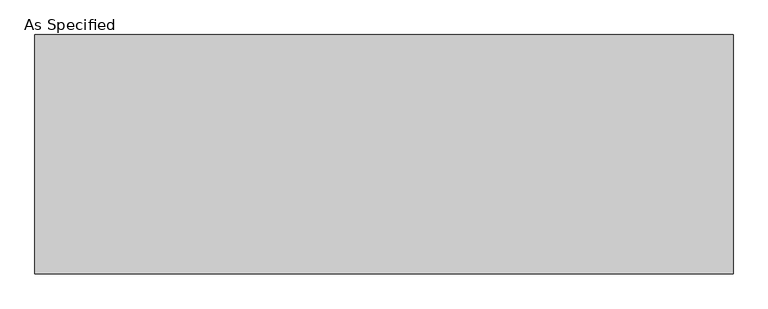
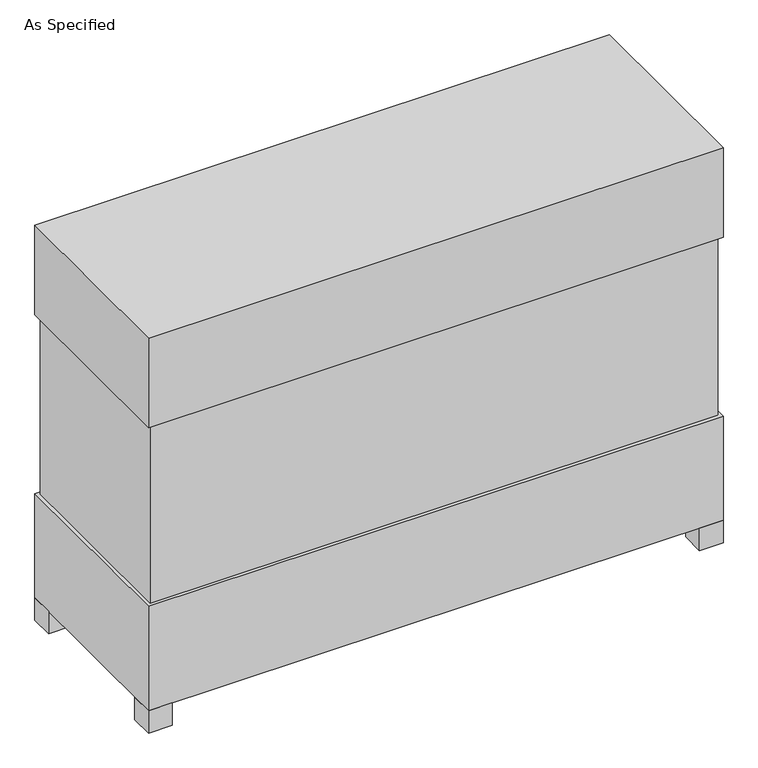
"""IFC4 building model written with IfcOpenShell, lengths in millimetres: proxy geometry, As Specified."""

from ifc_helpers import new_model, si_unit, frame, origin, origin_with_axes, place, context, project, spatial, polyline, outline, extrude, source, transform, mapped, element, save


def as_specified_e8d2b745(model_context):
    return source(origin(), model_context, "Body", "SweptSolid", [
        extrude(outline(polyline([(915.9875, 306.3875), (915.9875, -306.3875), (-915.9875, -306.3875), (-915.9875, 306.3875), (915.9875, 306.3875)])), frame((0.0, 0.0, 431.8), z_axis=(0.0, 0.0, 1.0), x_axis=(1.0, 0.0, 0.0)), (0.0, 0.0, 1.0), 609.6),
        extrude(outline(polyline([(927.1, 317.5), (927.1, -317.5), (-927.1, -317.5), (-927.1, 317.5), (927.1, 317.5)])), frame((0.0, 0.0, 1041.4), z_axis=(0.0, 0.0, 1.0), x_axis=(1.0, 0.0, 0.0)), (0.0, 0.0, 1.0), 304.8),
        extrude(outline(polyline([(812.8, 228.6), (812.8, 152.4), (736.6, 152.4), (736.6, 228.6), (812.8, 228.6)])), frame((0.0, 0.0, 50.8), z_axis=(0.0, 0.0, 1.0), x_axis=(1.0, 0.0, 0.0)), (0.0, 0.0, 1.0), 25.4),
        extrude(outline(polyline([(812.8, -228.6), (736.6, -228.6), (736.6, -152.4), (812.8, -152.4), (812.8, -228.6)])), frame((0.0, 0.0, 50.8), z_axis=(0.0, 0.0, 1.0), x_axis=(1.0, 0.0, 0.0)), (0.0, 0.0, 1.0), 25.4),
        extrude(outline(polyline([(-850.9, 317.5), (-850.9, 241.3), (-927.1, 241.3), (-927.1, 317.5), (-850.9, 317.5)])), origin_with_axes(), (0.0, 0.0, 1.0), 76.2),
        extrude(outline(polyline([(927.1, 317.5), (927.1, 241.3), (850.9, 241.3), (850.9, 317.5), (927.1, 317.5)])), origin_with_axes(), (0.0, 0.0, 1.0), 76.2),
        extrude(outline(polyline([(927.1, -241.3), (927.1, -317.5), (850.9, -317.5), (850.9, -241.3), (927.1, -241.3)])), origin_with_axes(), (0.0, 0.0, 1.0), 76.2),
        extrude(outline(polyline([(-850.9, -241.3), (-850.9, -317.5), (-927.1, -317.5), (-927.1, -241.3), (-850.9, -241.3)])), origin_with_axes(), (0.0, 0.0, 1.0), 76.2),
        extrude(outline(polyline([(927.1, 317.5), (927.1, -317.5), (-927.1, -317.5), (-927.1, 317.5), (927.1, 317.5)])), frame((0.0, 0.0, 76.2), z_axis=(0.0, 0.0, 1.0), x_axis=(1.0, 0.0, 0.0)), (0.0, 0.0, 1.0), 355.6),
    ])


if __name__ == "__main__":
    model = new_model("IFC4")
    model_context = context("Model", 3, world=origin())
    ifc_project = project(units=[si_unit("LENGTHUNIT", "METRE", prefix="MILLI")], contexts=[model_context])
    site = spatial("IfcSite", under=ifc_project)
    building = spatial("IfcBuilding", under=site)
    placement = place(None, origin())
    as_specified_shape = as_specified_e8d2b745(model_context)
    element("IfcBuildingElementProxy", 1, Name="As Specified", ObjectType="As Specified", at=placement, inside=building, context=model_context, shape_type="MappedRepresentation", body=[
        mapped(as_specified_shape, transform((0.0, 0.0, 0.0), x_axis=(1.0, 0.0, 0.0), y_axis=(0.0, 1.0, 0.0), z_axis=(0.0, 0.0, 1.0))),
    ])
    save(model, "model.ifc")
